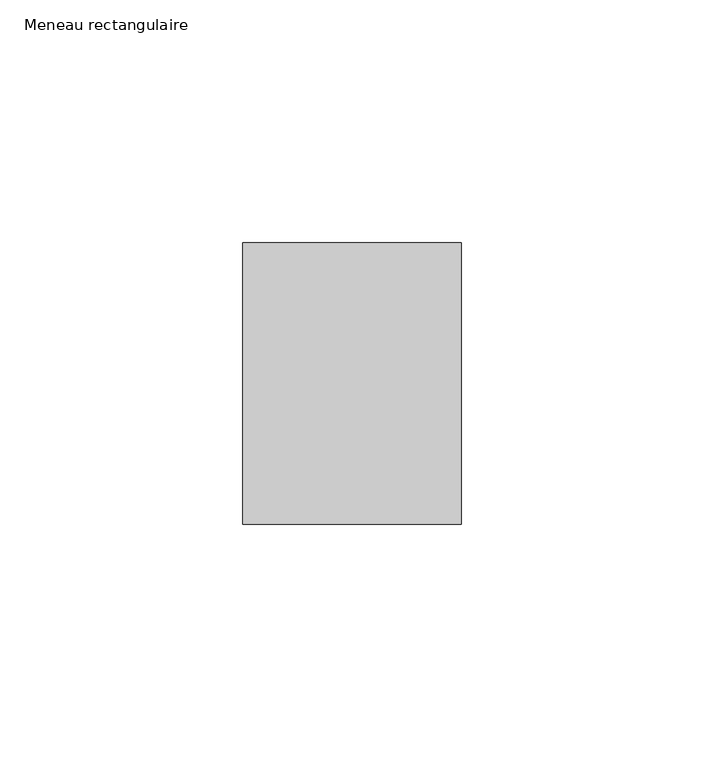
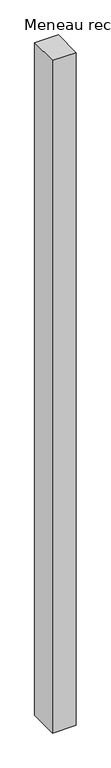
"""IFC4 building model written with IfcOpenShell, lengths in millimetres: member geometry, Meneau rectangulaire."""

from ifc_helpers import new_model, si_unit, frame, origin, place, context, project, spatial, polyline, outline, extrude, source, transform, mapped, element, save


def meneau_rectangulaire_f2dbd751(model_context):
    return source(origin(), model_context, "Body", "SweptSolid", [
        extrude(outline(polyline([(0.0, 29.0), (0.0, -29.0), (-45.0, -29.0), (-45.0, 29.0), (0.0, 29.0)])), frame((0.0, 0.0, -1343.7499999), z_axis=(0.0, 0.0, 1.0), x_axis=(1.0, 0.0, 0.0)), (0.0, 0.0, 1.0), 1343.7499999),
    ])


if __name__ == "__main__":
    model = new_model("IFC4")
    model_context = context("Model", 3, world=origin())
    ifc_project = project(units=[si_unit("LENGTHUNIT", "METRE", prefix="MILLI")], contexts=[model_context])
    site = spatial("IfcSite", under=ifc_project)
    building = spatial("IfcBuilding", under=site)
    placement = place(None, origin())
    meneau_rectangulaire_shape = meneau_rectangulaire_f2dbd751(model_context)
    element("IfcMember", 1, ObjectType="Meneau rectangulaire", at=placement, inside=building, context=model_context, shape_type="MappedRepresentation", body=[
        mapped(meneau_rectangulaire_shape, transform((0.0, 0.0, 0.0), x_axis=(1.0, 0.0, 0.0), y_axis=(0.0, 1.0, 0.0), z_axis=(0.0, 0.0, 1.0))),
    ])
    save(model, "model.ifc")
